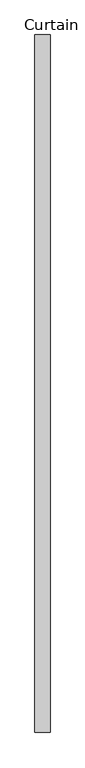
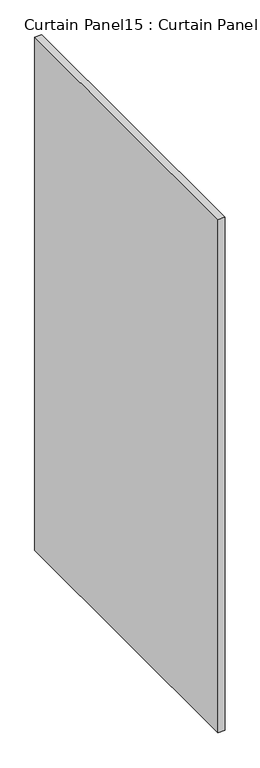
"""IFC4 building model written with IfcOpenShell, lengths in millimetres: plate geometry, Curtain Panel15 : Curtain Panel."""

from ifc_helpers import new_model, si_unit, frame, origin, place, context, project, spatial, polyline, outline, extrude, source, transform, mapped, element, save


def curtain_panel15_curtain_panel_2383a304(model_context):
    return source(origin(), model_context, "Body", "SweptSolid", [
        extrude(outline(polyline([(-290876.6259027, 1951.9785239), (-290876.6259027, 780.4035239), (-290902.0259027, 780.4035239), (-290902.0259027, 1951.9785239), (-290876.6259027, 1951.9785239)])), frame((0.0, 0.0, -3576.637373), z_axis=(0.0, 0.0, 1.0), x_axis=(1.0, 0.0, 0.0)), (0.0, 0.0, 1.0), 2000.2236964),
    ])


if __name__ == "__main__":
    model = new_model("IFC4")
    model_context = context("Model", 3, world=origin())
    ifc_project = project(units=[si_unit("LENGTHUNIT", "METRE", prefix="MILLI")], contexts=[model_context])
    site = spatial("IfcSite", under=ifc_project)
    building = spatial("IfcBuilding", under=site)
    placement = place(None, origin())
    curtain_panel15_curtain_panel_shape = curtain_panel15_curtain_panel_2383a304(model_context)
    element("IfcPlate", 1, ObjectType="Curtain Panel15 : Curtain Panel", at=placement, inside=building, context=model_context, shape_type="MappedRepresentation", body=[
        mapped(curtain_panel15_curtain_panel_shape, transform((0.0, 0.0, 0.0), x_axis=(1.0, 0.0, 0.0), y_axis=(0.0, 1.0, 0.0), z_axis=(0.0, 0.0, 1.0))),
    ])
    save(model, "model.ifc")
